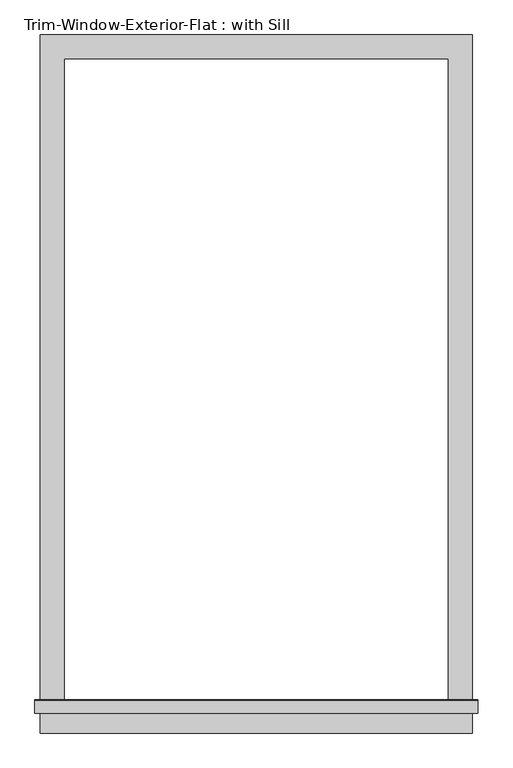
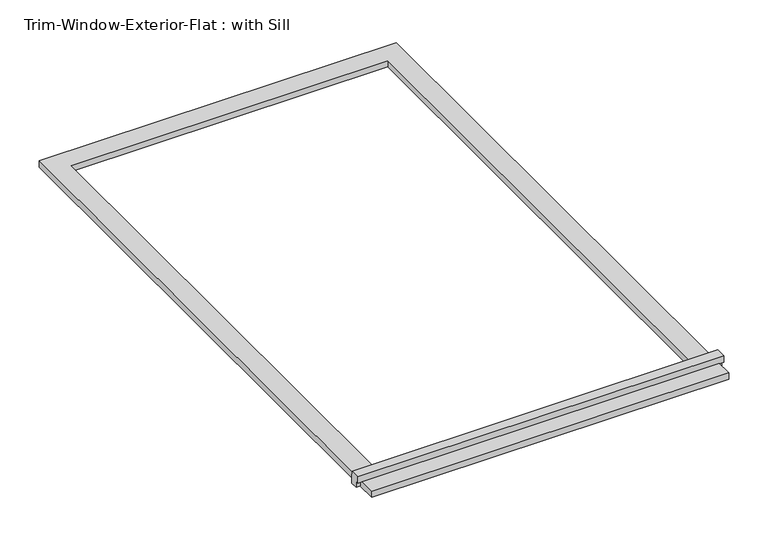
"""IFC4 building model written with IfcOpenShell, lengths in millimetres: proxy geometry, Trim-Window-Exterior-Flat : with Sill."""

from ifc_helpers import new_model, si_unit, frame, origin, origin_with_axes, place, context, project, spatial, polyline, outline, extrude, source, transform, mapped, element, save


def trim_window_exterior_flat_with_sill_48370fbd(model_context):
    return source(origin(), model_context, "Body", "SweptSolid", [
        extrude(outline(polyline([(514.35, -1546.1823709), (514.35, -1603.3323709), (-514.35, -1603.3323709), (-514.35, -1546.1823709), (514.35, -1546.1823709)])), origin_with_axes(), (0.0, 0.0, 1.0), 19.05),
        extrude(outline(polyline([(-1555.75, 38.1), (-1526.4580645, 38.1), (-1524.0, 19.05), (-1524.0, 0.0), (-1546.1823709, 0.0), (-1546.1823709, 19.05), (-1555.75, 19.05), (-1555.75, 38.1)])), frame((-527.05, 0.0, 0.0), z_axis=(1.0, 0.0, 0.0), x_axis=(0.0, 1.0, 0.0)), (0.0, 0.0, 1.0), 1054.1),
        extrude(outline(polyline([(-514.35, 57.15), (514.35, 57.15), (514.35, -1524.0), (457.2, -1524.0), (457.2, 0.0), (-457.2, 0.0), (-457.2, -1524.0), (-514.35, -1524.0), (-514.35, 57.15)])), origin_with_axes(), (0.0, 0.0, 1.0), 19.05),
    ])


if __name__ == "__main__":
    model = new_model("IFC4")
    model_context = context("Model", 3, world=origin())
    ifc_project = project(units=[si_unit("LENGTHUNIT", "METRE", prefix="MILLI")], contexts=[model_context])
    site = spatial("IfcSite", under=ifc_project)
    building = spatial("IfcBuilding", under=site)
    placement = place(None, origin())
    trim_window_exterior_flat_with_sill_shape = trim_window_exterior_flat_with_sill_48370fbd(model_context)
    element("IfcBuildingElementProxy", 1, Name="Trim-Window-Exterior-Flat : with Sill", ObjectType="Trim-Window-Exterior-Flat : with Sill", at=placement, inside=building, context=model_context, shape_type="MappedRepresentation", body=[
        mapped(trim_window_exterior_flat_with_sill_shape, transform((0.0, 0.0, 0.0), x_axis=(1.0, 0.0, 0.0), y_axis=(0.0, 1.0, 0.0), z_axis=(0.0, 0.0, 1.0))),
    ])
    save(model, "model.ifc")
